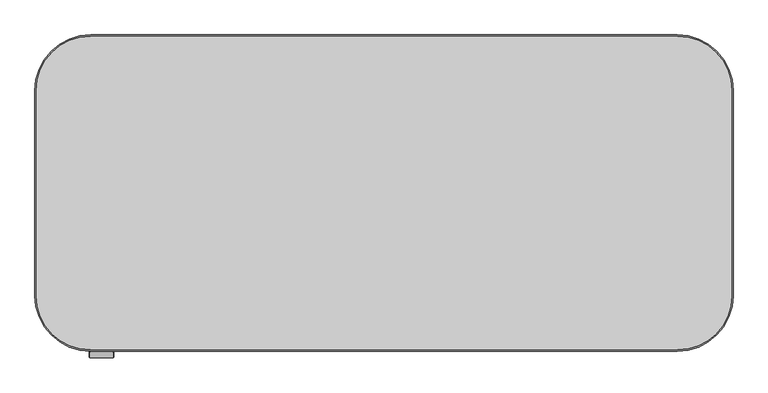
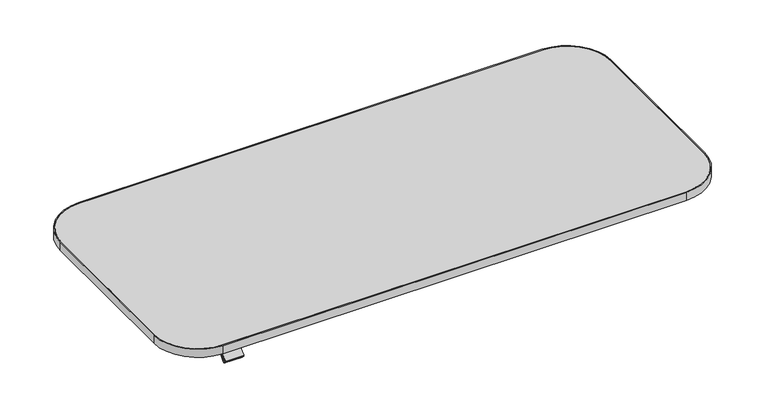
"""IFC4 building model written with IfcOpenShell, lengths in millimetres: furniture geometry."""

from ifc_helpers import new_model, si_unit, point, frame, frame_2d, origin, place, context, project, spatial, polyline, circle_curve, trimmed, segment, composite_curve, outline, extrude, source, transform, mapped, element, save
from ifc_brep_helpers import plane_surface, cylinder_surface, advanced_brep


def furniture_9fab5296(model_context):
    return source(origin(), model_context, "Body", "SolidModel", [
        extrude(outline(composite_curve([segment(polyline([(-736.6, -322.06), (-736.6, 155.46)]), True, "CONTINUOUS"), segment(trimmed(circle_curve(frame_2d((-607.06, 155.46)), 129.54), [point((-736.6, 155.46))], [point((-607.06, 285.0))], False, "CARTESIAN"), True, "CONTINUOUS"), segment(polyline([(-607.06, 285.0), (759.46, 285.0)]), True, "CONTINUOUS"), segment(trimmed(circle_curve(frame_2d((759.46, 155.46)), 129.54), [point((759.46, 285.0))], [point((889.0, 155.46))], False, "CARTESIAN"), True, "CONTINUOUS"), segment(polyline([(889.0, 155.46), (889.0, -322.06)]), True, "CONTINUOUS"), segment(trimmed(circle_curve(frame_2d((759.46, -322.06)), 129.54), [point((889.0, -322.06))], [point((759.46, -451.6))], False, "CARTESIAN"), True, "CONTINUOUS"), segment(polyline([(759.46, -451.6), (-607.06, -451.6)]), True, "CONTINUOUS"), segment(trimmed(circle_curve(frame_2d((-607.06, -322.06)), 129.54), [point((-607.06, -451.6))], [point((-736.6, -322.06))], False, "CARTESIAN"), True, "CONTINUOUS")], self_intersect=False), holes=[composite_curve([segment(polyline([(759.46, 281.952), (-607.06, 281.952)]), True, "CONTINUOUS"), segment(trimmed(circle_curve(frame_2d((-607.06, 155.46)), 126.492), [point((-607.06, 281.952))], [point((-733.552, 155.46))], True, "CARTESIAN"), True, "CONTINUOUS"), segment(polyline([(-733.552, 155.46), (-733.552, -322.06)]), True, "CONTINUOUS"), segment(trimmed(circle_curve(frame_2d((-607.06, -322.06)), 126.492), [point((-733.552, -322.06))], [point((-607.06, -448.552))], True, "CARTESIAN"), True, "CONTINUOUS"), segment(polyline([(-607.06, -448.552), (759.46, -448.552)]), True, "CONTINUOUS"), segment(trimmed(circle_curve(frame_2d((759.46, -322.06)), 126.492), [point((759.46, -448.552))], [point((885.952, -322.06))], True, "CARTESIAN"), True, "CONTINUOUS"), segment(polyline([(885.952, -322.06), (885.952, 155.46)]), True, "CONTINUOUS"), segment(trimmed(circle_curve(frame_2d((759.46, 155.46)), 126.492), [point((885.952, 155.46))], [point((759.46, 281.952))], True, "CARTESIAN"), True, "CONTINUOUS")], self_intersect=False)]), frame((0.0, 0.0, 714.902), z_axis=(0.0, 0.0, 1.0), x_axis=(1.0, 0.0, 0.0)), (0.0, 0.0, 1.0), 25.0),
        extrude(outline(composite_curve([segment(trimmed(circle_curve(frame_2d((759.46, 155.46)), 126.492), [point((759.46, 281.952))], [point((885.952, 155.46))], False, "CARTESIAN"), True, "CONTINUOUS"), segment(polyline([(885.952, 155.46), (885.952, -322.06)]), True, "CONTINUOUS"), segment(trimmed(circle_curve(frame_2d((759.46, -322.06)), 126.492), [point((885.952, -322.06))], [point((759.46, -448.552))], False, "CARTESIAN"), True, "CONTINUOUS"), segment(polyline([(759.46, -448.552), (-607.06, -448.552)]), True, "CONTINUOUS"), segment(trimmed(circle_curve(frame_2d((-607.06, -322.06)), 126.492), [point((-607.06, -448.552))], [point((-733.552, -322.06))], False, "CARTESIAN"), True, "CONTINUOUS"), segment(polyline([(-733.552, -322.06), (-733.552, 155.46)]), True, "CONTINUOUS"), segment(trimmed(circle_curve(frame_2d((-607.06, 155.46)), 126.492), [point((-733.552, 155.46))], [point((-607.06, 281.952))], False, "CARTESIAN"), True, "CONTINUOUS"), segment(polyline([(-607.06, 281.952), (759.46, 281.952)]), True, "CONTINUOUS")], self_intersect=False)), frame((0.0, 0.0, 714.902), z_axis=(0.0, 0.0, 1.0), x_axis=(1.0, 0.0, 0.0)), (0.0, 0.0, 1.0), 25.0),
        advanced_brep(
        [(-606.2197438, -419.5454312, 714.902), (-606.2197438, -451.6, 714.902), (-556.7197614, -451.6, 714.902), (-556.7197614, -419.5454312, 714.902), (-556.7197614, -419.5454312, 707.1581454), (-556.7197614, -446.6161373, 707.1581454), (-606.2197438, -446.6161373, 707.1581454), (-606.2197438, -419.5454312, 707.1581454), (-556.7197614, -451.6, 711.3662703), (-556.7197614, -449.1527665, 713.8135038), (-556.7197614, -444.5567727, 709.21751), (-606.2197438, -451.6, 711.3662703), (-606.2197438, -444.5567727, 709.21751), (-606.2197438, -449.1527665, 713.8135038), (-555.2705979, -449.1527665, 713.8135038), (-607.568, -449.1527665, 713.8135038), (-609.6, -450.5896075, 712.3766628), (-609.6, -464.8280905, 698.1381797), (-607.568, -466.2649315, 696.7013388), (-555.6476329, -466.2649315, 696.7013388), (-553.4177614, -464.6881742, 698.2780961), (-553.4177614, -450.4629198, 712.5033505), (-607.568, -444.5567727, 709.21751), (-555.2705979, -444.5567727, 709.21751), (-553.4177614, -445.866926, 707.9073567), (-553.4177614, -460.0921804, 693.6821023), (-555.6476329, -461.6689377, 692.105345), (-607.568, -461.6689377, 692.105345), (-609.6, -460.2320967, 693.542186), (-609.6, -445.9936137, 707.780669)],
        [
            (0, 1),
            (1, 2),
            (2, 3),
            (3, 0),
            (4, 5),
            (5, 6),
            (6, 7),
            (7, 4),
            (3, 4),
            (7, 0),
            (2, 8),
            (8, 9),
            (9, 10),
            (10, 5),
            (1, 11),
            (11, 8),
            (6, 12),
            (12, 13),
            (13, 11),
            (14, 9),
            (13, 15),
            (15, 16, circle_curve(frame((-607.568, -450.5896075, 712.3766628), z_axis=(0.0, -0.7071067811865493, 0.7071067811865457), x_axis=(0.0, -0.7071067811865457, -0.7071067811865493)), 2.032)),
            (16, 17),
            (17, 18, circle_curve(frame((-607.568, -464.8280905, 698.1381797), z_axis=(0.0, -0.7071067811865493, 0.7071067811865457), x_axis=(0.0, -0.7071067811865457, -0.7071067811865493)), 2.032)),
            (18, 19),
            (19, 20, circle_curve(frame((-555.6476329, -464.6881742, 698.2780961), z_axis=(0.0, -0.7071067811865493, 0.7071067811865457), x_axis=(0.0, -0.7071067811865457, -0.7071067811865493)), 2.2298716)),
            (20, 21),
            (21, 14, circle_curve(frame((-555.2705979, -450.4629198, 712.5033505), z_axis=(0.0, -0.7071067811865493, 0.7071067811865457), x_axis=(0.0, -0.7071067811865457, -0.7071067811865493)), 1.8528366)),
            (22, 12),
            (10, 23),
            (23, 24, circle_curve(frame((-555.2705979, -445.866926, 707.9073567), z_axis=(0.0, 0.7071067811865493, -0.7071067811865457), x_axis=(0.0, -0.7071067811865457, -0.7071067811865493)), 1.8528366)),
            (24, 25),
            (25, 26, circle_curve(frame((-555.6476329, -460.0921804, 693.6821023), z_axis=(0.0, 0.7071067811865493, -0.7071067811865457), x_axis=(0.0, -0.7071067811865457, -0.7071067811865493)), 2.2298716)),
            (26, 27),
            (27, 28, circle_curve(frame((-607.568, -460.2320967, 693.542186), z_axis=(0.0, 0.7071067811865493, -0.7071067811865457), x_axis=(0.0, -0.7071067811865457, -0.7071067811865493)), 2.032)),
            (28, 29),
            (29, 22, circle_curve(frame((-607.568, -445.9936137, 707.780669), z_axis=(0.0, 0.7071067811865493, -0.7071067811865457), x_axis=(0.0, -0.7071067811865457, -0.7071067811865493)), 2.032)),
            (22, 15),
            (14, 23),
            (21, 24),
            (20, 25),
            (19, 26),
            (18, 27),
            (17, 28),
            (16, 29),
        ],
        [
            plane_surface(frame((-556.7197614, -419.5454312, 714.902), z_axis=(0.0, 0.0, 1.0), x_axis=(1.0, 0.0, 0.0))),
            plane_surface(frame((-556.7197614, -419.5454312, 707.1581454), z_axis=(0.0, 0.0, -1.0), x_axis=(-1.0, 0.0, 0.0))),
            plane_surface(frame((-606.2197438, -419.5454312, 714.902), z_axis=(0.0, 1.0, 0.0), x_axis=(0.0, 0.0, -1.0))),
            plane_surface(frame((-556.7197614, -419.5454312, 714.902), z_axis=(1.0, 0.0, 0.0), x_axis=(0.0, 0.0, -1.0))),
            plane_surface(frame((-556.7197614, -451.6, 714.902), z_axis=(0.0, -1.0, 0.0), x_axis=(0.0, 0.0, -1.0))),
            plane_surface(frame((-606.2197438, -451.6, 714.902), z_axis=(-1.0, 0.0, 0.0), x_axis=(0.0, 0.0, -1.0))),
            plane_surface(frame((-555.2705979, -449.1527665, 713.8135038), z_axis=(0.0, -0.7071067811865493, 0.7071067811865457), x_axis=(1.0, 0.0, 0.0))),
            plane_surface(frame((-555.2705979, -444.5567727, 709.21751), z_axis=(0.0, 0.7071067811865493, -0.7071067811865457), x_axis=(-1.0, 0.0, 0.0))),
            plane_surface(frame((-607.568, -449.1527665, 713.8135038), z_axis=(0.0, 0.7071067811865476, 0.7071067811865476), x_axis=(0.0, 0.7071067811865476, -0.7071067811865476))),
            cylinder_surface(frame((-555.2705979, -445.866926, 707.9073567), z_axis=(0.0, -0.7071067811865493, 0.7071067811865457), x_axis=(0.0, -0.7071067811865457, -0.7071067811865493)), 1.8528366),
            plane_surface(frame((-553.4177614, -450.4629198, 712.5033505), z_axis=(1.0000000000000002, 0.0, 0.0), x_axis=(0.0, 0.7071067811865476, -0.7071067811865476))),
            cylinder_surface(frame((-555.6476329, -460.0921804, 693.6821023), z_axis=(0.0, -0.7071067811865493, 0.7071067811865457), x_axis=(0.0, -0.7071067811865457, -0.7071067811865493)), 2.2298716),
            plane_surface(frame((-555.6476329, -466.2649315, 696.7013388), z_axis=(0.0, -0.7071067811865476, -0.7071067811865476), x_axis=(0.0, 0.7071067811865476, -0.7071067811865476))),
            cylinder_surface(frame((-607.568, -460.2320967, 693.542186), z_axis=(0.0, -0.7071067811865493, 0.7071067811865457), x_axis=(0.0, -0.7071067811865457, -0.7071067811865493)), 2.032),
            plane_surface(frame((-609.6, -464.8280905, 698.1381797), z_axis=(-1.0, 0.0, 0.0), x_axis=(0.0, 0.7071067811865527, -0.7071067811865424))),
            cylinder_surface(frame((-607.568, -445.9936137, 707.780669), z_axis=(0.0, -0.7071067811865493, 0.7071067811865457), x_axis=(0.0, -0.7071067811865457, -0.7071067811865493)), 2.032),
        ],
        [
            (0, [[1, 2, 3, 4]]),
            (1, [[5, 6, 7, 8]]),
            (2, [[9, -8, 10, -4]]),
            (3, [[11, 12, 13, 14, -5, -9, -3]]),
            (4, [[15, 16, -11, -2]]),
            (5, [[-10, -7, 17, 18, 19, -15, -1]]),
            (6, [[20, -12, -16, -19, 21, 22, 23, 24, 25, 26, 27, 28]]),
            (7, [[29, -17, -6, -14, 30, 31, 32, 33, 34, 35, 36, 37]]),
            (8, [[-21, -18, -29, 38]]),
            (8, [[-30, -13, -20, 39]]),
            (9, [[40, -31, -39, -28]]),
            (10, [[41, -32, -40, -27]]),
            (11, [[42, -33, -41, -26]]),
            (12, [[43, -34, -42, -25]]),
            (13, [[44, -35, -43, -24]]),
            (14, [[45, -36, -44, -23]]),
            (15, [[-38, -37, -45, -22]]),
        ],
    ),
        extrude(outline(composite_curve([segment(polyline([(48.6765212, 0.0), (0.0, 0.0)]), True, "CONTINUOUS"), segment(trimmed(circle_curve(frame_2d((0.0, 2.8504615)), 2.8504615), [point((0.0, 0.0))], [point((-2.8504616, 2.8504615))], False, "CARTESIAN"), True, "CONTINUOUS"), segment(polyline([(-2.8504616, 2.8504615), (-2.8504616, 19.0283589)]), True, "CONTINUOUS"), segment(trimmed(circle_curve(frame_2d((-0.0003332, 19.0283589)), 2.8501284), [point((-2.8504616, 19.0283589))], [point((-0.0003332, 21.8784873))], False, "CARTESIAN"), True, "CONTINUOUS"), segment(polyline([(-0.0003332, 21.8784873), (48.7382411, 21.8784873)]), True, "CONTINUOUS"), segment(trimmed(circle_curve(frame_2d((48.7382411, 18.8922072)), 2.9862801), [point((48.7382411, 21.8784873))], [point((51.7245212, 18.8922072))], False, "CARTESIAN"), True, "CONTINUOUS"), segment(polyline([(51.7245212, 18.8922072), (51.7245212, 3.048)]), True, "CONTINUOUS"), segment(trimmed(circle_curve(frame_2d((48.6765212, 3.048)), 3.048), [point((51.7245212, 3.048))], [point((48.6765212, 0.0))], False, "CARTESIAN"), True, "CONTINUOUS")], self_intersect=False)), frame((-556.9799479, -443.782049, 706.7937033), z_axis=(0.0, -0.7071067811865493, 0.7071067811865457), x_axis=(-1.0, 0.0, 0.0)), (0.0, 0.0, 1.0), 11.2615577),
    ])


if __name__ == "__main__":
    model = new_model("IFC4")
    model_context = context("Model", 3, world=origin())
    ifc_project = project(units=[si_unit("LENGTHUNIT", "METRE", prefix="MILLI")], contexts=[model_context])
    site = spatial("IfcSite", under=ifc_project)
    building = spatial("IfcBuilding", under=site)
    placement = place(None, origin())
    furniture_shape = furniture_9fab5296(model_context)
    element("IfcFurniture", 1, at=placement, inside=building, context=model_context, shape_type="MappedRepresentation", body=[
        mapped(furniture_shape, transform((0.0, 0.0, 0.0), x_axis=(1.0, 0.0, 0.0), y_axis=(0.0, 1.0, 0.0), z_axis=(0.0, 0.0, 1.0))),
    ])
    save(model, "model.ifc")
